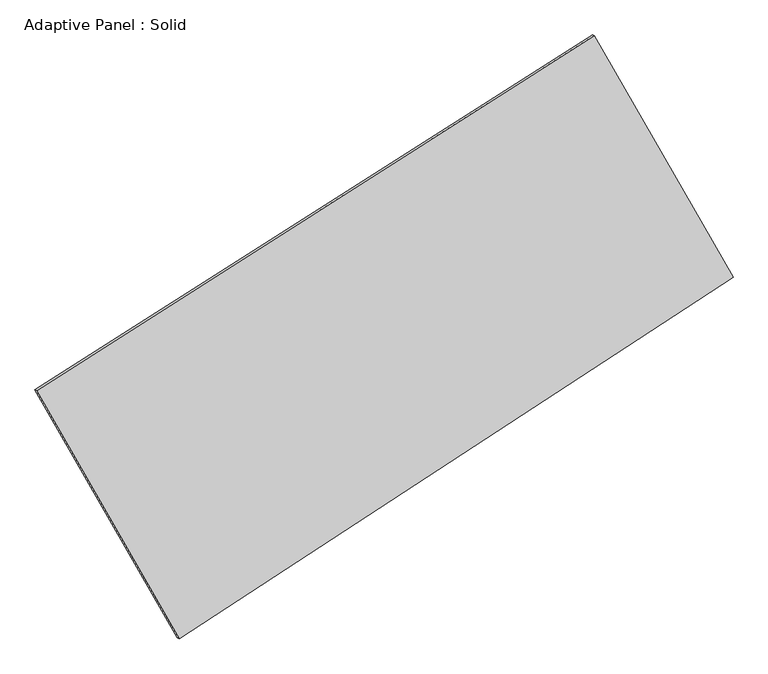
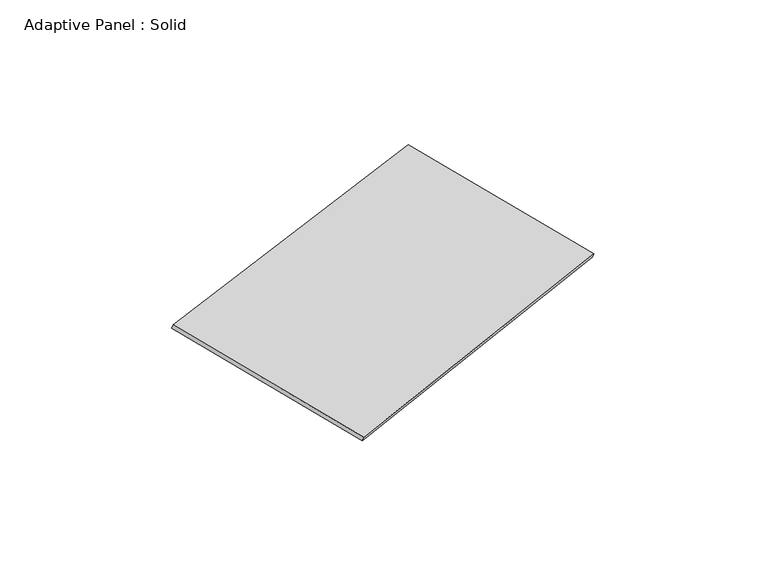
"""IFC4 building model written with IfcOpenShell, lengths in millimetres: plate geometry, Adaptive Panel : Solid."""

from ifc_helpers import new_model, si_unit, frame, origin, place, context, project, spatial, polyline, outline, extrude, source, transform, mapped, element, save


def adaptive_panel_solid_51b3a037(model_context):
    return source(origin(), model_context, "Body", "SweptSolid", [
        extrude(outline(polyline([(-1261.9847343, 2941.187992), (1261.9847343, 2941.1879919), (1295.5566177, -2941.1879921), (-1295.5566176, -2941.187992), (-1261.9847343, 2941.187992)])), frame((-650.8226445, -100.0621432, 871.2806301), z_axis=(0.29332711661117566, -0.12760186928686995, 0.9474581603506671), x_axis=(0.4810794353805891, -0.8367277453435347, -0.26162808913841573)), (0.0, 0.0, 1.0), 50.0),
    ])


if __name__ == "__main__":
    model = new_model("IFC4")
    model_context = context("Model", 3, world=origin())
    ifc_project = project(units=[si_unit("LENGTHUNIT", "METRE", prefix="MILLI")], contexts=[model_context])
    site = spatial("IfcSite", under=ifc_project)
    building = spatial("IfcBuilding", under=site)
    placement = place(None, origin())
    adaptive_panel_solid_shape = adaptive_panel_solid_51b3a037(model_context)
    element("IfcPlate", 1, ObjectType="Adaptive Panel : Solid", at=placement, inside=building, context=model_context, shape_type="MappedRepresentation", body=[
        mapped(adaptive_panel_solid_shape, transform((0.0, 0.0, 0.0), x_axis=(1.0, 0.0, 0.0), y_axis=(0.0, 1.0, 0.0), z_axis=(0.0, 0.0, 1.0))),
    ])
    save(model, "model.ifc")
